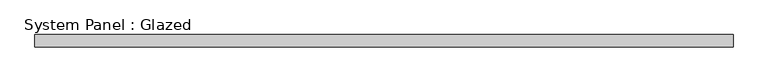
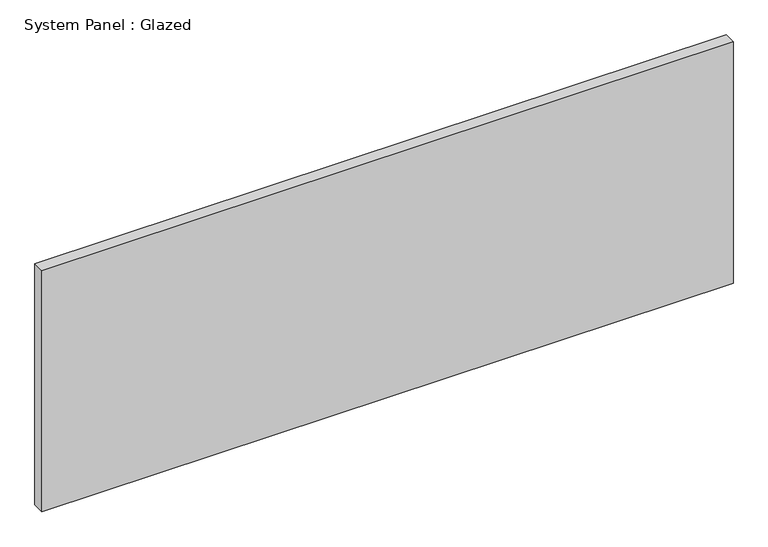
"""IFC4 building model written with IfcOpenShell, lengths in millimetres: plate geometry, System Panel : Glazed."""

from ifc_helpers import new_model, si_unit, origin, origin_with_axes, place, context, project, spatial, polyline, outline, extrude, source, transform, mapped, element, save


def system_panel_glazed_a3264fc1(model_context):
    return source(origin(), model_context, "Body", "SweptSolid", [
        extrude(outline(polyline([(711.6690596, 24.5), (-711.6690596, 24.5), (-711.6690596, 49.5), (711.6690596, 49.5), (711.6690596, 24.5)])), origin_with_axes(), (0.0, 0.0, 1.0), 525.0),
    ])


if __name__ == "__main__":
    model = new_model("IFC4")
    model_context = context("Model", 3, world=origin())
    ifc_project = project(units=[si_unit("LENGTHUNIT", "METRE", prefix="MILLI")], contexts=[model_context])
    site = spatial("IfcSite", under=ifc_project)
    building = spatial("IfcBuilding", under=site)
    placement = place(None, origin())
    system_panel_glazed_shape = system_panel_glazed_a3264fc1(model_context)
    element("IfcPlate", 1, ObjectType="System Panel : Glazed", at=placement, inside=building, context=model_context, shape_type="MappedRepresentation", body=[
        mapped(system_panel_glazed_shape, transform((0.0, 0.0, 0.0), x_axis=(1.0, 0.0, 0.0), y_axis=(0.0, 1.0, 0.0), z_axis=(0.0, 0.0, 1.0))),
    ])
    save(model, "model.ifc")
